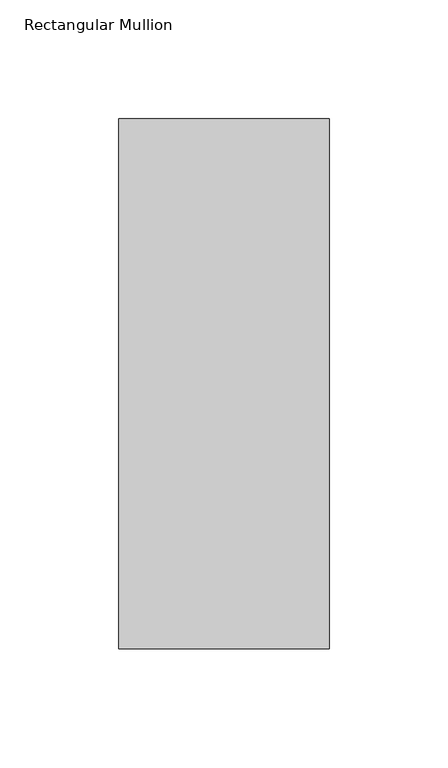
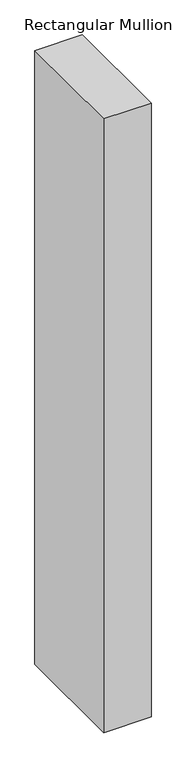
"""IFC4 building model written with IfcOpenShell, lengths in millimetres: member geometry, Rectangular Mullion."""

from ifc_helpers import new_model, si_unit, frame, origin, place, context, project, spatial, polyline, outline, extrude, source, transform, mapped, element, save


def rectangular_mullion_fdf94f32(model_context):
    return source(origin(), model_context, "Body", "SweptSolid", [
        extrude(outline(polyline([(-88.9, 42.06875), (0.0, 42.06875), (0.0, -181.76875), (-88.9, -181.76875), (-88.9, 42.06875)])), frame((0.0, 0.0, -1219.2), z_axis=(0.0, 0.0, 1.0), x_axis=(1.0, 0.0, 0.0)), (0.0, 0.0, 1.0), 1219.2),
    ])


if __name__ == "__main__":
    model = new_model("IFC4")
    model_context = context("Model", 3, world=origin())
    ifc_project = project(units=[si_unit("LENGTHUNIT", "METRE", prefix="MILLI")], contexts=[model_context])
    site = spatial("IfcSite", under=ifc_project)
    building = spatial("IfcBuilding", under=site)
    placement = place(None, origin())
    rectangular_mullion_shape = rectangular_mullion_fdf94f32(model_context)
    element("IfcMember", 1, ObjectType="Rectangular Mullion", at=placement, inside=building, context=model_context, shape_type="MappedRepresentation", body=[
        mapped(rectangular_mullion_shape, transform((0.0, 0.0, 0.0), x_axis=(1.0, 0.0, 0.0), y_axis=(0.0, 1.0, 0.0), z_axis=(0.0, 0.0, 1.0))),
    ])
    save(model, "model.ifc")
